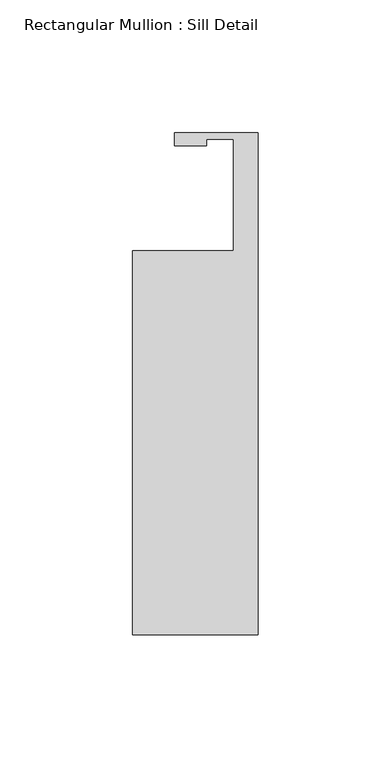
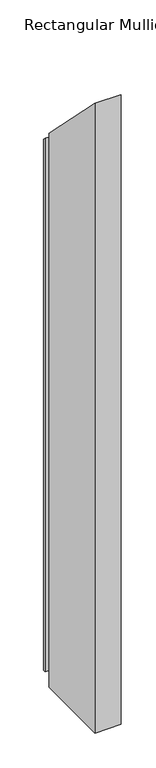
"""IFC4 building model written with IfcOpenShell, lengths in millimetres: member geometry, Rectangular Mullion : Sill Detail."""

from ifc_helpers import new_model, si_unit, origin, place, context, project, spatial, faceted_brep, source, transform, mapped, element, save


def rectangular_mullion_sill_detail_92933ab9(model_context):
    return source(origin(), model_context, "Body", "Brep", [
        faceted_brep([(0.0, -163.9062, -1019.4553898), (-47.4265625, -163.9062, -1019.4553898), (-47.4265625, -19.05, -1019.4553898), (-9.3265625, -19.05, -1019.4553898), (-9.3265625, 22.86, -1019.4553898), (-19.4611625, 22.86, -1019.4553898), (-19.4611625, 20.5040579, -1019.4553898), (-31.548507, 20.5040579, -1019.4553898), (-31.548507, 25.3938484, -1019.4553898), (0.0, 25.3938484, -1019.4553898), (0.0, 25.3938484, 0.0061516), (0.0, -163.9062, 189.3062), (-31.548507, 25.3938484, 0.0061516), (-31.548507, 20.5040579, 4.8959421), (-19.4611625, 20.5040579, 4.8959421), (-19.4611625, 22.86, 2.54), (-9.3265625, 22.86, 2.54), (-9.3265625, -19.05, 44.45), (-47.4265625, -19.05, 44.45), (-47.4265625, -163.9062, 189.3062)], [[[0, 1, 2, 3, 4, 5, 6, 7, 8, 9]], [[10, 11, 0, 9]], [[12, 10, 9, 8]], [[13, 12, 8, 7]], [[14, 13, 7, 6]], [[15, 14, 6, 5]], [[16, 15, 5, 4]], [[17, 16, 4, 3]], [[18, 17, 3, 2]], [[19, 18, 2, 1]], [[11, 19, 1, 0]], [[11, 10, 12, 13, 14, 15, 16, 17, 18, 19]]]),
    ])


if __name__ == "__main__":
    model = new_model("IFC4")
    model_context = context("Model", 3, world=origin())
    ifc_project = project(units=[si_unit("LENGTHUNIT", "METRE", prefix="MILLI")], contexts=[model_context])
    site = spatial("IfcSite", under=ifc_project)
    building = spatial("IfcBuilding", under=site)
    placement = place(None, origin())
    rectangular_mullion_sill_detail_shape = rectangular_mullion_sill_detail_92933ab9(model_context)
    element("IfcMember", 1, ObjectType="Rectangular Mullion : Sill Detail", at=placement, inside=building, context=model_context, shape_type="MappedRepresentation", body=[
        mapped(rectangular_mullion_sill_detail_shape, transform((0.0, 0.0, 0.0), x_axis=(1.0, 0.0, 0.0), y_axis=(0.0, 1.0, 0.0), z_axis=(0.0, 0.0, 1.0))),
    ])
    save(model, "model.ifc")
